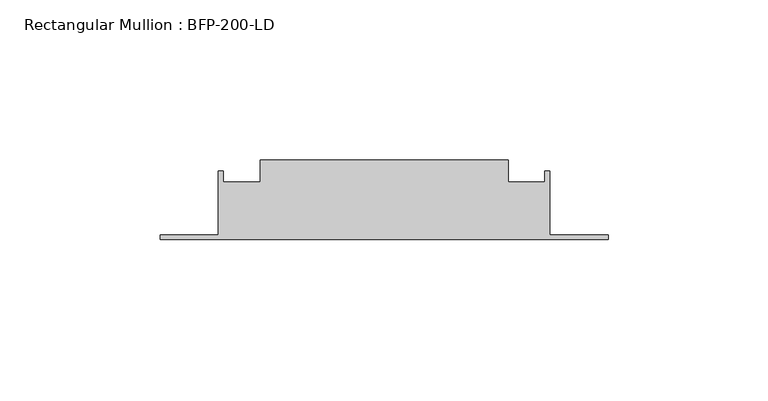
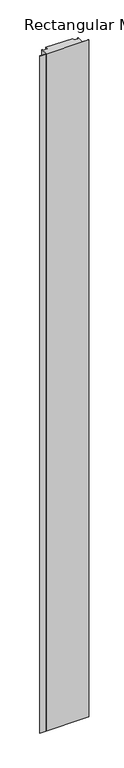
"""IFC4 building model written with IfcOpenShell, lengths in millimetres: member geometry, Rectangular Mullion : BFP-200-LD."""

from ifc_helpers import new_model, si_unit, frame, origin, place, context, project, spatial, polyline, outline, extrude, source, transform, mapped, element, save


def rectangular_mullion_bfp_200_ld_e3840e2d(model_context):
    return source(origin(), model_context, "Body", "SweptSolid", [
        extrude(outline(polyline([(-38.75, 45.0), (38.75, 45.0), (38.75, 38.0), (50.25, 38.0), (50.25, 41.5), (51.75, 41.5), (51.75, 21.5), (70.0, 21.5), (70.0, 20.0), (-70.0, 20.0), (-70.0, 21.5), (-51.75, 21.5), (-51.75, 41.5), (-50.25, 41.5), (-50.25, 38.0), (-38.75, 38.0), (-38.75, 45.0)])), frame((0.0, 0.0, -2050.0), z_axis=(0.0, 0.0, 1.0), x_axis=(1.0, 0.0, 0.0)), (0.0, 0.0, 1.0), 2050.0),
    ])


if __name__ == "__main__":
    model = new_model("IFC4")
    model_context = context("Model", 3, world=origin())
    ifc_project = project(units=[si_unit("LENGTHUNIT", "METRE", prefix="MILLI")], contexts=[model_context])
    site = spatial("IfcSite", under=ifc_project)
    building = spatial("IfcBuilding", under=site)
    placement = place(None, origin())
    rectangular_mullion_bfp_200_ld_shape = rectangular_mullion_bfp_200_ld_e3840e2d(model_context)
    element("IfcMember", 1, ObjectType="Rectangular Mullion : BFP-200-LD", at=placement, inside=building, context=model_context, shape_type="MappedRepresentation", body=[
        mapped(rectangular_mullion_bfp_200_ld_shape, transform((0.0, 0.0, 0.0), x_axis=(1.0, 0.0, 0.0), y_axis=(0.0, 1.0, 0.0), z_axis=(0.0, 0.0, 1.0))),
    ])
    save(model, "model.ifc")
